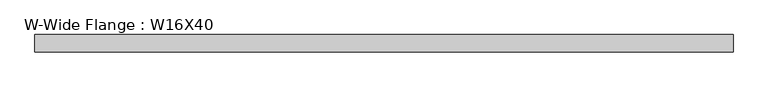
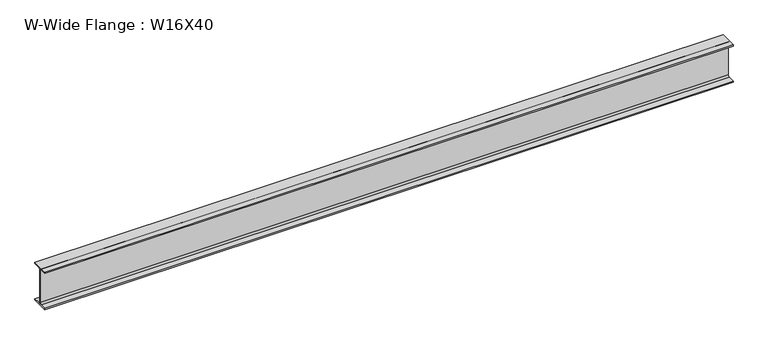
"""IFC4 building model written with IfcOpenShell, lengths in millimetres: beam geometry, W-Wide Flange : W16X40."""

from ifc_helpers import new_model, si_unit, point, frame, frame_2d, origin, place, context, project, spatial, polyline, circle_curve, trimmed, segment, composite_curve, outline, extrude, source, transform, mapped, element, save


def w_wide_flange_w16x40_7e501b0d(model_context):
    return source(origin(), model_context, "Body", "SweptSolid", [
        extrude(outline(composite_curve([segment(polyline([(88.9, -190.4), (88.9, -203.2), (-88.9, -203.2), (-88.9, -190.4), (-21.25, -190.4)]), True, "CONTINUOUS"), segment(trimmed(circle_curve(frame_2d((-21.25, -173.0)), 17.4), [point((-21.25, -190.4))], [point((-3.85, -173.0))], True, "CARTESIAN"), True, "CONTINUOUS"), segment(polyline([(-3.85, -173.0), (-3.85, 173.0)]), True, "CONTINUOUS"), segment(trimmed(circle_curve(frame_2d((-21.25, 173.0)), 17.4), [point((-3.85, 173.0))], [point((-21.25, 190.4))], True, "CARTESIAN"), True, "CONTINUOUS"), segment(polyline([(-21.25, 190.4), (-88.9, 190.4), (-88.9, 203.2), (88.9, 203.2), (88.9, 190.4), (21.25, 190.4)]), True, "CONTINUOUS"), segment(trimmed(circle_curve(frame_2d((21.25, 173.0)), 17.4), [point((21.25, 190.4))], [point((3.85, 173.0))], True, "CARTESIAN"), True, "CONTINUOUS"), segment(polyline([(3.85, 173.0), (3.85, -173.0)]), True, "CONTINUOUS"), segment(trimmed(circle_curve(frame_2d((21.25, -173.0)), 17.4), [point((3.85, -173.0))], [point((21.25, -190.4))], True, "CARTESIAN"), True, "CONTINUOUS"), segment(polyline([(21.25, -190.4), (88.9, -190.4)]), True, "CONTINUOUS")], self_intersect=False)), frame((-3535.1401766, 0.0, 0.0), z_axis=(1.0, 0.0, 0.0), x_axis=(0.0, 1.0, 0.0)), (0.0, 0.0, 1.0), 7067.8684322),
    ])


if __name__ == "__main__":
    model = new_model("IFC4")
    model_context = context("Model", 3, world=origin())
    ifc_project = project(units=[si_unit("LENGTHUNIT", "METRE", prefix="MILLI")], contexts=[model_context])
    site = spatial("IfcSite", under=ifc_project)
    building = spatial("IfcBuilding", under=site)
    placement = place(None, origin())
    w_wide_flange_w16x40_shape = w_wide_flange_w16x40_7e501b0d(model_context)
    element("IfcBeam", 1, ObjectType="W-Wide Flange : W16X40", at=placement, inside=building, context=model_context, shape_type="MappedRepresentation", body=[
        mapped(w_wide_flange_w16x40_shape, transform((0.0, 0.0, 0.0), x_axis=(1.0, 0.0, 0.0), y_axis=(0.0, 1.0, 0.0), z_axis=(0.0, 0.0, 1.0))),
    ])
    save(model, "model.ifc")
